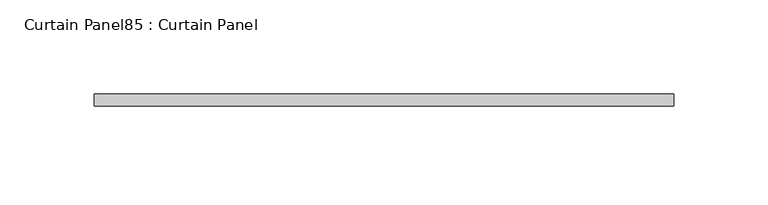
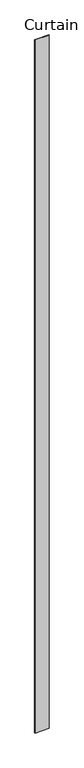
"""IFC4 building model written with IfcOpenShell, lengths in millimetres: plate geometry, Curtain Panel85 : Curtain Panel."""

import ifcopenshell
import ifcopenshell.guid

model = None  # the IFC model being written
_history = None  # IfcOwnerHistory: only IFC2X3 demands one
_inside = {}  # id of a spatial element -> (the spatial element, [elements in it])
_under = {}  # id of a project, library or spatial element -> (it, [spatial elements below it])
_declared = {}  # id of a project -> (the project, [libraries it declares])
_typed = {}  # id of a type object -> (the type object, [elements of that type])
_made_of = {}  # id of a material, layer set ... -> (it, [elements and type objects made of it])


def new_model(schema):
    """Start an empty IFC model of exactly this schema.

    Asked for "IFC4X3", IfcOpenShell would pick the latest addendum, in which some entities
    have other attributes; the version numbers below select the first issue.
    IFC2X3 requires an IfcOwnerHistory on every rooted entity: one is made here for all.
    """
    global model, _history
    if schema == "IFC4X3":
        model = ifcopenshell.file(schema_version=(4, 3, 0, 0))
    else:
        model = ifcopenshell.file(schema=schema)
    _inside.clear()
    _under.clear()
    _declared.clear()
    _typed.clear()
    _made_of.clear()
    _history = None
    if model.schema == "IFC2X3":
        org = make("IfcOrganization", Name="unknown")
        user = make(
            "IfcPersonAndOrganization",
            ThePerson=make("IfcPerson", FamilyName="unknown"),
            TheOrganization=org,
        )
        app = make(
            "IfcApplication",
            ApplicationDeveloper=org,
            Version="unknown",
            ApplicationFullName="unknown",
            ApplicationIdentifier="unknown",
        )
        _history = make(
            "IfcOwnerHistory",
            OwningUser=user,
            OwningApplication=app,
            ChangeAction="ADDED",
            CreationDate=0,
        )
    return model


def make(cls, **values):
    """One entity of the class cls with the attributes given. An attribute that is None is left unset."""
    return model.create_entity(
        cls, **{name: value for name, value in values.items() if value is not None}
    )


def rooted(cls, **values):
    """An entity with a GlobalId (a new one), such as an element, a storey or a relation."""
    return make(cls, GlobalId=ifcopenshell.guid.new(), OwnerHistory=_history, **values)


def si_unit(unit_type, name, prefix=None):
    """IfcSIUnit, for example si_unit("LENGTHUNIT", "METRE", prefix="MILLI")."""
    return make("IfcSIUnit", UnitType=unit_type, Prefix=prefix, Name=name)


def assignment(units):
    """IfcUnitAssignment: the units of a project."""
    return None if units is None else make("IfcUnitAssignment", Units=units)


def point(xyz):
    """IfcCartesianPoint."""
    return None if xyz is None else make("IfcCartesianPoint", Coordinates=xyz)


def direction(xyz):
    """IfcDirection."""
    return None if xyz is None else make("IfcDirection", DirectionRatios=xyz)


def frame(location, z_axis=None, x_axis=None):
    """IfcAxis2Placement3D, a coordinate frame: its origin and axes. An axis left out is left unset."""
    return make(
        "IfcAxis2Placement3D",
        Location=point(location),
        Axis=direction(z_axis),
        RefDirection=direction(x_axis),
    )


def origin():
    """The frame at (0, 0, 0) with its axes left unset."""
    return frame((0.0, 0.0, 0.0))


def place(relative_to, where):
    """IfcLocalPlacement: puts the frame where relative to a parent placement (None: the world)."""
    return make(
        "IfcLocalPlacement", PlacementRelTo=relative_to, RelativePlacement=where
    )


def context(
    kind, dimensions, precision=None, world=None, true_north=None, identifier=None
):
    """IfcGeometricRepresentationContext, for example the 3D "Model" context."""
    return make(
        "IfcGeometricRepresentationContext",
        ContextIdentifier=identifier,
        ContextType=kind,
        CoordinateSpaceDimension=dimensions,
        Precision=precision,
        WorldCoordinateSystem=world,
        TrueNorth=true_north,
    )


def project(units=None, contexts=None):
    """IfcProject with its units and contexts."""
    return rooted(
        "IfcProject",
        Name="project",
        RepresentationContexts=contexts,
        UnitsInContext=assignment(units),
    )


def spatial(cls, under=None, at=None, **own):
    """A site, building, storey or space (cls), placed at a placement, below another one or the project."""
    s = rooted(cls, ObjectPlacement=at, **own)
    if under is not None:
        _under.setdefault(under.id(), (under, []))[1].append(s)
    return s


def polyline(points):
    """IfcPolyline through the points."""
    return make("IfcPolyline", Points=[point(p) for p in points])


def outline(outer, holes=None, kind="AREA"):
    """IfcArbitraryClosedProfileDef: a profile drawn as a closed curve; with holes, ...WithVoids."""
    if holes is None:
        return make("IfcArbitraryClosedProfileDef", ProfileType=kind, OuterCurve=outer)
    return make(
        "IfcArbitraryProfileDefWithVoids",
        ProfileType=kind,
        OuterCurve=outer,
        InnerCurves=holes,
    )


def extrude(swept, where, along, depth):
    """IfcExtrudedAreaSolid: the profile swept, set in the frame where, extruded along a direction by depth."""
    return make(
        "IfcExtrudedAreaSolid",
        SweptArea=swept,
        Position=where,
        ExtrudedDirection=direction(along),
        Depth=depth,
    )


def shape(context_of_items, identifier, shape_type, items):
    """IfcShapeRepresentation: the items that make up one representation, for example the "Body"."""
    return make(
        "IfcShapeRepresentation",
        ContextOfItems=context_of_items,
        RepresentationIdentifier=identifier,
        RepresentationType=shape_type,
        Items=items,
    )


def source(mapping_origin, context_of_items, identifier, shape_type, items):
    """IfcRepresentationMap: a shape defined once, which mapped items show again and again."""
    return make(
        "IfcRepresentationMap",
        MappingOrigin=mapping_origin,
        MappedRepresentation=shape(context_of_items, identifier, shape_type, items),
    )


def transform(
    local_origin,
    x_axis=None,
    y_axis=None,
    z_axis=None,
    scale=None,
    scale2=None,
    scale3=None,
    uniform=True,
):
    """IfcCartesianTransformationOperator3D, or its non-uniform kind. x_axis, y_axis, z_axis: its Axis1, 2, 3."""
    if uniform:
        return make(
            "IfcCartesianTransformationOperator3D",
            Axis1=direction(x_axis),
            Axis2=direction(y_axis),
            LocalOrigin=point(local_origin),
            Scale=scale,
            Axis3=direction(z_axis),
        )
    return make(
        "IfcCartesianTransformationOperator3DnonUniform",
        Axis1=direction(x_axis),
        Axis2=direction(y_axis),
        LocalOrigin=point(local_origin),
        Scale=scale,
        Axis3=direction(z_axis),
        Scale2=scale2,
        Scale3=scale3,
    )


def mapped(mapping_source, mapping_target):
    """IfcMappedItem: shows the shape of a source again, moved by a transform."""
    return make(
        "IfcMappedItem", MappingSource=mapping_source, MappingTarget=mapping_target
    )


def made_of(thing, what):
    """Note that an element or type object is made of a material, layer set ...; save() writes the relation."""
    if what is not None:
        _made_of.setdefault(what.id(), (what, []))[1].append(thing)
    return thing


def element(
    cls,
    number,
    at=None,
    inside=None,
    cuts=None,
    type_object=None,
    material=None,
    context=None,
    identifier="Body",
    shape_type=None,
    held_by="IfcProductDefinitionShape",
    body=None,
    shapes=None,
    **own,
):
    """One element of the class cls, such as IfcWall. Its Tag is "e" and its number.

    at: its placement. inside: the storey or other place that contains it. cuts: it is an
    opening in that element (IfcRelVoidsElement). A single representation is given by context,
    identifier, shape_type and body (its items); several are given by shapes. held_by: the class
    of the entity that holds the representations. save() writes the other relations.
    """
    e = rooted(cls, Tag="e%d" % number, ObjectPlacement=at, **own)
    if body is not None:
        shapes = [shape(context, identifier, shape_type, body)]
    if shapes is not None:
        e.Representation = make(held_by, Representations=shapes)
    if inside is not None:
        _inside.setdefault(inside.id(), (inside, []))[1].append(e)
    if cuts is not None:
        rooted(
            "IfcRelVoidsElement", RelatingBuildingElement=cuts, RelatedOpeningElement=e
        )
    if type_object is not None:
        _typed.setdefault(type_object.id(), (type_object, []))[1].append(e)
    return made_of(e, material)


def aggregate(whole, parts):
    """IfcRelAggregates: a whole, such as a stair, and the parts it consists of."""
    return rooted("IfcRelAggregates", RelatingObject=whole, RelatedObjects=parts)


def save(model, path):
    """Write the relations noted so far, then the file.

    IfcRelAggregates (storeys below a building ...), IfcRelContainedInSpatialStructure (elements
    in a storey), IfcRelDefinesByType, IfcRelAssociatesMaterial and IfcRelDeclares: one each for
    every whole, place, type object, material and project.
    """
    for whole, parts in _under.values():
        aggregate(whole, parts)
    for where, things in _inside.values():
        rooted(
            "IfcRelContainedInSpatialStructure",
            RelatedElements=things,
            RelatingStructure=where,
        )
    for kind, things in _typed.values():
        rooted("IfcRelDefinesByType", RelatedObjects=things, RelatingType=kind)
    for what, things in _made_of.values():
        rooted("IfcRelAssociatesMaterial", RelatedObjects=things, RelatingMaterial=what)
    for by, libraries in _declared.values():
        rooted("IfcRelDeclares", RelatingContext=by, RelatedDefinitions=libraries)
    model.write(path)


def curtain_panel85_curtain_panel_391da07d(model_context):
    return source(origin(), model_context, "Body", "SweptSolid", [
        extrude(outline(polyline([(173816.1428879, 7974.6084949), (173508.1950674, 7974.6084949), (173508.1950674, 7980.9584949), (173816.1428879, 7980.9584949), (173816.1428879, 7974.6084949)])), frame((0.0, 0.0, 1433.7679301), z_axis=(0.0, 0.0, 1.0), x_axis=(1.0, 0.0, 0.0)), (0.0, 0.0, 1.0), 15786.2064664),
    ])


if __name__ == "__main__":
    model = new_model("IFC4")
    model_context = context("Model", 3, world=origin())
    ifc_project = project(units=[si_unit("LENGTHUNIT", "METRE", prefix="MILLI")], contexts=[model_context])
    site = spatial("IfcSite", under=ifc_project)
    building = spatial("IfcBuilding", under=site)
    placement = place(None, origin())
    curtain_panel85_curtain_panel_shape = curtain_panel85_curtain_panel_391da07d(model_context)
    element("IfcPlate", 1, ObjectType="Curtain Panel85 : Curtain Panel", at=placement, inside=building, context=model_context, shape_type="MappedRepresentation", body=[
        mapped(curtain_panel85_curtain_panel_shape, transform((0.0, 0.0, 0.0), x_axis=(1.0, 0.0, 0.0), y_axis=(0.0, 1.0, 0.0), z_axis=(0.0, 0.0, 1.0))),
    ])
    save(model, "model.ifc")
